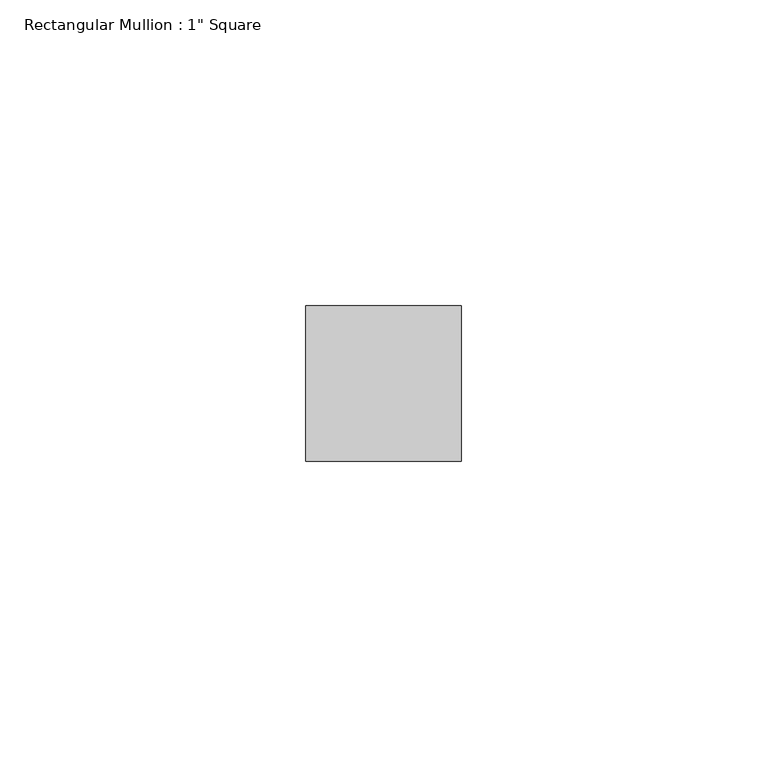
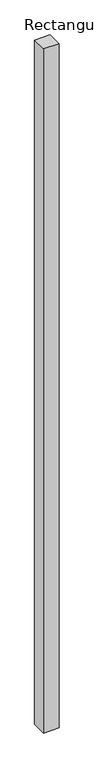
"""IFC4 building model written with IfcOpenShell, lengths in millimetres: member geometry."""

from ifc_helpers import new_model, si_unit, frame, origin, place, context, project, spatial, polyline, outline, extrude, source, transform, mapped, element, save


def member_b4ef5c74(model_context):
    return source(origin(), model_context, "Body", "SweptSolid", [
        extrude(outline(polyline([(12.7, 12.7), (12.7, -12.7), (-12.7, -12.7), (-12.7, 12.7), (12.7, 12.7)])), frame((0.0, 0.0, -1193.8), z_axis=(0.0, 0.0, 1.0), x_axis=(1.0, 0.0, 0.0)), (0.0, 0.0, 1.0), 1193.8),
    ])


if __name__ == "__main__":
    model = new_model("IFC4")
    model_context = context("Model", 3, world=origin())
    ifc_project = project(units=[si_unit("LENGTHUNIT", "METRE", prefix="MILLI")], contexts=[model_context])
    site = spatial("IfcSite", under=ifc_project)
    building = spatial("IfcBuilding", under=site)
    placement = place(None, origin())
    member_shape = member_b4ef5c74(model_context)
    element("IfcMember", 1, ObjectType="Rectangular Mullion : 1\" Square", at=placement, inside=building, context=model_context, shape_type="MappedRepresentation", body=[
        mapped(member_shape, transform((0.0, 0.0, 0.0), x_axis=(1.0, 0.0, 0.0), y_axis=(0.0, 1.0, 0.0), z_axis=(0.0, 0.0, 1.0))),
    ])
    save(model, "model.ifc")
